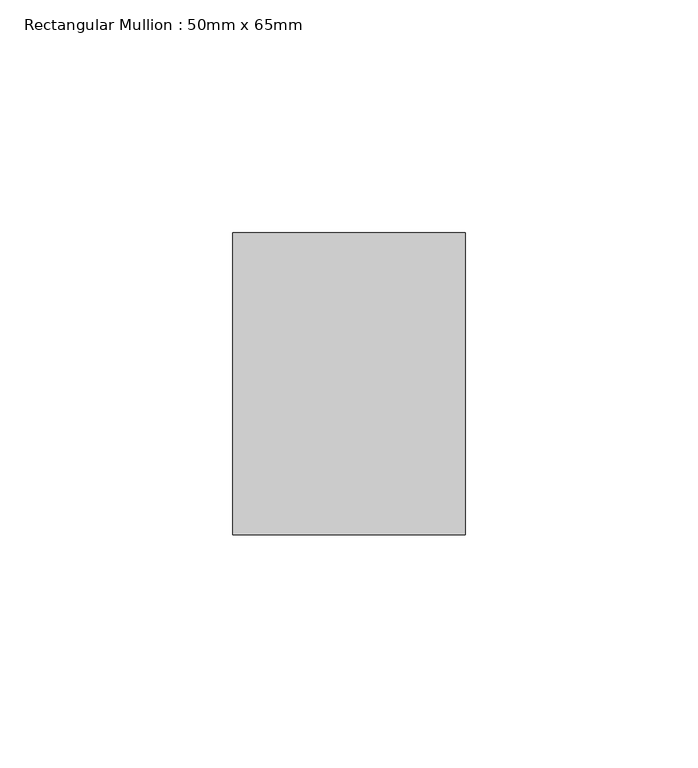
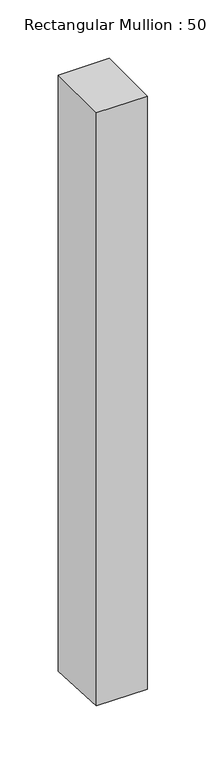
"""IFC4 building model written with IfcOpenShell, lengths in millimetres: member geometry, Rectangular Mullion : 50mm x 65mm."""

from ifc_helpers import new_model, si_unit, origin, place, context, project, spatial, faceted_brep, source, transform, mapped, element, save


def rectangular_mullion_50mm_x_65mm_9b15e586(model_context):
    return source(origin(), model_context, "Body", "Brep", [
        faceted_brep([(25.0, 32.5, 0.0), (-25.0, 32.5, 0.0), (-25.0, -32.5, 0.0), (25.0, -32.5, 0.0), (25.0, 32.5, -622.7600324), (-25.0, 32.5, -622.3080991), (-25.0, -32.5, -618.7911823), (25.0, -32.5, -619.2431156)], [[[0, 1, 2, 3]], [[1, 0, 4, 5]], [[2, 1, 5, 6]], [[3, 2, 6, 7]], [[0, 3, 7, 4]], [[4, 7, 6, 5]]]),
    ])


if __name__ == "__main__":
    model = new_model("IFC4")
    model_context = context("Model", 3, world=origin())
    ifc_project = project(units=[si_unit("LENGTHUNIT", "METRE", prefix="MILLI")], contexts=[model_context])
    site = spatial("IfcSite", under=ifc_project)
    building = spatial("IfcBuilding", under=site)
    placement = place(None, origin())
    rectangular_mullion_50mm_x_65mm_shape = rectangular_mullion_50mm_x_65mm_9b15e586(model_context)
    element("IfcMember", 1, ObjectType="Rectangular Mullion : 50mm x 65mm", at=placement, inside=building, context=model_context, shape_type="MappedRepresentation", body=[
        mapped(rectangular_mullion_50mm_x_65mm_shape, transform((0.0, 0.0, 0.0), x_axis=(1.0, 0.0, 0.0), y_axis=(0.0, 1.0, 0.0), z_axis=(0.0, 0.0, 1.0))),
    ])
    save(model, "model.ifc")
